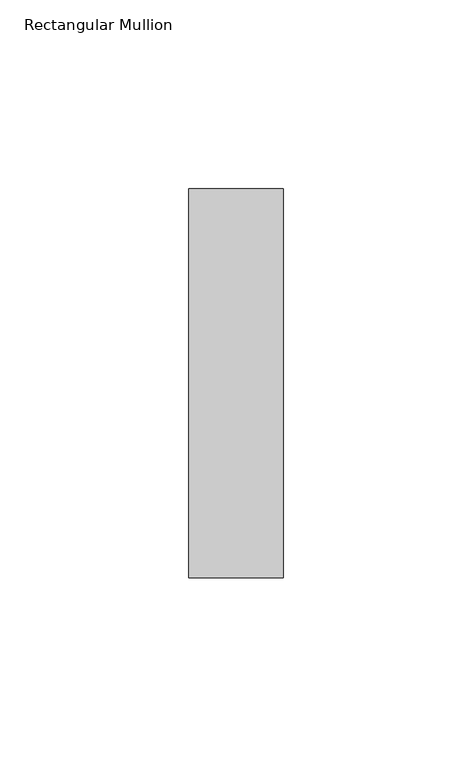
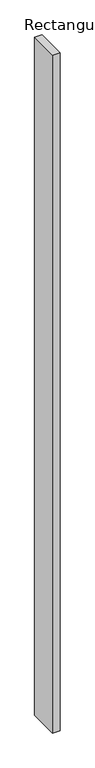
"""IFC4 building model written with IfcOpenShell, lengths in millimetres: member geometry, Rectangular Mullion."""

from ifc_helpers import new_model, si_unit, frame, origin, place, context, project, spatial, polyline, outline, extrude, source, transform, mapped, element, save


def rectangular_mullion_cd73be76(model_context):
    return source(origin(), model_context, "Body", "SweptSolid", [
        extrude(outline(polyline([(0.0, -51.5), (-25.0, -51.5), (-25.0, 51.5), (0.0, 51.5), (0.0, -51.5)])), frame((0.0, 0.0, -2400.0), z_axis=(0.0, 0.0, 1.0), x_axis=(1.0, 0.0, 0.0)), (0.0, 0.0, 1.0), 2400.0),
    ])


if __name__ == "__main__":
    model = new_model("IFC4")
    model_context = context("Model", 3, world=origin())
    ifc_project = project(units=[si_unit("LENGTHUNIT", "METRE", prefix="MILLI")], contexts=[model_context])
    site = spatial("IfcSite", under=ifc_project)
    building = spatial("IfcBuilding", under=site)
    placement = place(None, origin())
    rectangular_mullion_shape = rectangular_mullion_cd73be76(model_context)
    element("IfcMember", 1, ObjectType="Rectangular Mullion", at=placement, inside=building, context=model_context, shape_type="MappedRepresentation", body=[
        mapped(rectangular_mullion_shape, transform((0.0, 0.0, 0.0), x_axis=(1.0, 0.0, 0.0), y_axis=(0.0, 1.0, 0.0), z_axis=(0.0, 0.0, 1.0))),
    ])
    save(model, "model.ifc")
